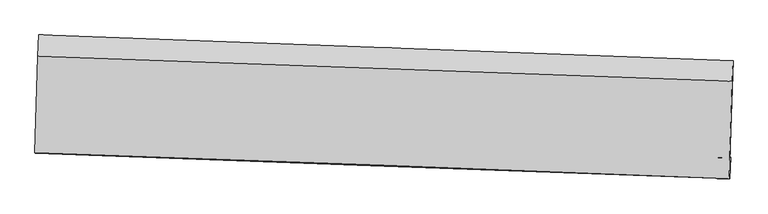
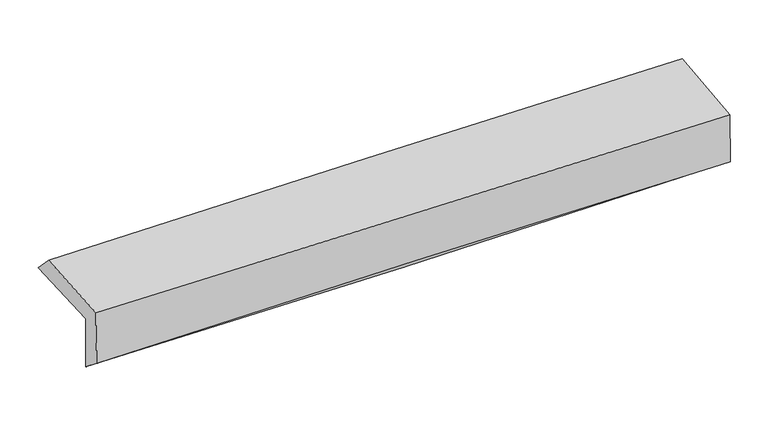
"""IFC4 building model written with IfcOpenShell, lengths in millimetres: proxy geometry."""

from ifc_helpers import new_model, si_unit, frame, origin, place, context, project, spatial, source, transform, mapped, element, save
from ifc_brep_helpers import plane_surface, spline_curve, spline_surface, advanced_brep


def generic_models_f19c91c7(model_context):
    return source(origin(), model_context, "Body", "AdvancedBrep", [
        advanced_brep(
        [(-2394.5979162, -1713.3347652, 1989.2655225), (-2373.2706413, -1049.1503568, 1991.8929543), (2383.3913384, -1227.3954647, 2079.4897294), (2362.1650616, -1890.8655607, 2077.8659823), (-2390.3267735, -1705.4792854, 1592.6145317), (2366.3955547, -1886.0130458, 1675.6531683), (-2396.5925852, -1860.7836105, 1718.2345387), (2360.5112506, -2033.1956572, 1791.3159314), (-2400.6183276, -1856.7959123, 2128.2465432), (2356.5852988, -2034.5850837, 2174.4144726), (-2379.4726616, -1194.8855611, 2141.5830523), (2377.5644199, -1366.8430313, 2213.932242)],
        [
            (0, 1),
            (1, 2, spline_curve(3, [(-2373.2706413, -1049.1503568, 1991.8929543), (-1577.212858178, -1077.467058341, 2016.282240157), (-781.130310597, -1106.54474543, 2035.786844734), (804.424095513, -1165.9724608, 2064.904381265), (1593.895540917, -1196.309809624, 2074.598701894), (2383.3913384, -1227.3954647, 2079.4897294)], [4, 2, 4], [0.0, 7.842618841619596, 15.619626482688027])),
            (2, 3),
            (3, 0, spline_curve(3, [(2362.1650616, -1890.8655607, 2077.8659823), (1572.78291964, -1860.295409241, 2058.668276399), (783.360194597, -1830.275921983, 2041.707629402), (-802.226776873, -1771.089659485, 2012.13623755), (-1598.391711255, -1741.93221498, 1999.563397868), (-2394.5979162, -1713.3347652, 1989.2655225)], [4, 2, 4], [0.0, 7.777007641068431, 15.619626482688027])),
            (4, 0),
            (3, 5),
            (5, 4, spline_curve(3, [(2366.3955547, -1886.0130458, 1675.6531683), (1577.13458412, -1853.757437113, 1649.837257303), (787.776058361, -1822.643532005, 1630.013207283), (-797.796398066, -1762.446266684, 1602.232133811), (-1594.011981797, -1733.382251608, 1594.376638368), (-2390.3267735, -1705.4792854, 1592.6145317)], [4, 2, 4], [0.0, 7.777174407450397, 15.619961422386739])),
            (6, 4),
            (5, 7),
            (7, 6, spline_curve(3, [(2360.5112506, -2033.1956572, 1791.3159314), (1570.907969874, -2004.732861999, 1786.962179824), (781.346044245, -1976.194464907, 1778.737100331), (-804.355935219, -1918.725063743, 1754.442232786), (-1600.495288254, -1889.792778543, 1738.306848411), (-2396.5925852, -1860.7836105, 1718.2345387)], [4, 2, 4], [0.0, 7.776957983764512, 15.619526749143308])),
            (8, 6),
            (7, 9),
            (9, 8, spline_curve(3, [(2356.5852988, -2034.5850837, 2174.4144726), (1567.135723078, -2003.639311151, 2162.74683275), (777.642726483, -1973.409873506, 2153.073433986), (-808.091079747, -1914.134678395, 2137.650333131), (-1604.33262543, -1885.101059078, 2131.934421942), (-2400.6183276, -1856.7959123, 2128.2465432)], [4, 2, 4], [0.0, 7.776829378705272, 15.61926845404038])),
            (10, 8),
            (9, 11),
            (11, 10, spline_curve(3, [(2377.5644199, -1366.8430313, 2213.932242), (1587.970419026, -1338.872829121, 2208.569764822), (798.418669167, -1310.61932703, 2199.898709253), (-787.261073936, -1253.304970696, 2175.838374432), (-1583.388351159, -1224.239315846, 2160.393033411), (-2379.4726616, -1194.8855611, 2141.5830523)], [4, 2, 4], [0.0, 7.776750048330085, 15.619109124014445])),
            (1, 10),
            (11, 2),
        ],
        [
            spline_surface(3, 3, [[(-2394.5979162, -1713.3347652, 1989.2655225), (-1598.391711175, -1741.93221507, 1999.563397776), (-802.226776955, -1771.089659504, 2012.136237471), (783.360194678, -1830.275921965, 2041.707629481), (1572.782919688, -1860.295409337, 2058.668276357), (2362.1650616, -1890.8655607, 2077.8659823)], [(-2387.488824564, -1491.939962392, 1990.141333106), (-1591.332093493, -1520.443829475, 2005.136345238), (-795.194621465, -1549.574688123, 2020.019773205), (790.381494908, -1608.841434934, 2049.439880078), (1579.820460088, -1638.966876141, 2063.97841815), (2369.240487174, -1669.708862037, 2078.407231312)], [(-2380.379732936, -1270.545159608, 1991.017143694), (-1584.272475818, -1298.955443903, 2010.709292682), (-788.162465957, -1328.059716741, 2027.903308966), (797.402795155, -1387.406947902, 2057.172130701), (1586.858000566, -1417.638342934, 2069.288560005), (2376.315912826, -1448.552163363, 2078.948480388)], [(-2373.2706413, -1049.1503568, 1991.8929543), (-1577.212858136, -1077.467058308, 2016.282240144), (-781.130310466, -1106.544745359, 2035.786844701), (804.424095384, -1165.972460871, 2064.904381298), (1593.895540967, -1196.309809738, 2074.598701798), (2383.3913384, -1227.3954647, 2079.4897294)]], [4, 4], [4, 2, 4], [0.0, 2.182323243487646], [0.0, 7.842618841619596, 15.619626482688027]),
            spline_surface(3, 3, [[(-2390.3267735, -1705.4792854, 1592.6145317), (-1594.011981718, -1733.382251564, 1594.376638254), (-797.796398041, -1762.446266593, 1602.232133838), (787.776058337, -1822.643532095, 1630.013207257), (1577.134584097, -1853.75743719, 1649.837257198), (2366.3955547, -1886.0130458, 1675.6531683)], [(-2391.750487752, -1708.097778663, 1724.831528642), (-1595.471891556, -1736.232239395, 1729.438891437), (-799.273190987, -1765.327397557, 1738.866835052), (786.30410381, -1825.187662046, 1767.244681335), (1575.684029312, -1855.936761244, 1786.114263603), (2364.985390351, -1887.630550772, 1809.724106319)], [(-2393.174201948, -1710.716271937, 1857.048525558), (-1596.931801337, -1739.082227239, 1864.501144594), (-800.74998401, -1768.20852854, 1875.501536256), (784.832149205, -1827.731792015, 1904.476155403), (1574.233474473, -1858.116085283, 1922.391269952), (2363.575225949, -1889.248055728, 1943.795044281)], [(-2394.5979162, -1713.3347652, 1989.2655225), (-1598.391711175, -1741.93221507, 1999.563397776), (-802.226776955, -1771.089659504, 2012.136237471), (783.360194678, -1830.275921965, 2041.707629481), (1572.782919688, -1860.295409337, 2058.668276357), (2362.1650616, -1890.8655607, 2077.8659823)]], [4, 4], [4, 2, 4], [0.0, 1.3480840961184657], [0.0, 7.842787014936342, 15.619961422386739]),
            spline_surface(3, 3, [[(-2396.5925852, -1860.7836105, 1718.2345387), (-1600.495288135, -1889.792778488, 1738.306848282), (-804.355935157, -1918.725063721, 1754.442232897), (781.346044184, -1976.194464929, 1778.737100221), (1570.907969794, -2004.732861942, 1786.962179788), (2360.5112506, -2033.1956572, 1791.3159314)], [(-2394.50398128, -1809.015502136, 1676.361203027), (-1598.334185976, -1837.655936183, 1690.3301116), (-802.169422797, -1866.632131349, 1703.70553322), (783.489382223, -1925.010820656, 1729.162469242), (1572.983507892, -1954.407720372, 1741.253872231), (2362.472685297, -1984.134786747, 1752.761677006)], [(-2392.41537742, -1757.247393764, 1634.487867373), (-1596.173083877, -1785.519093869, 1642.353374937), (-799.982910401, -1814.539198964, 1652.968833515), (785.632720298, -1873.827176369, 1679.587838235), (1575.059045999, -1904.08257876, 1695.545564756), (2364.434120003, -1935.073916253, 1714.207422694)], [(-2390.3267735, -1705.4792854, 1592.6145317), (-1594.011981718, -1733.382251564, 1594.376638254), (-797.796398041, -1762.446266593, 1602.232133838), (787.776058337, -1822.643532095, 1630.013207257), (1577.134584097, -1853.75743719, 1649.837257198), (2366.3955547, -1886.0130458, 1675.6531683)]], [4, 4], [4, 2, 4], [0.0, 0.7089112349682898], [0.0, 7.842568765378796, 15.619526749143308]),
            spline_surface(3, 3, [[(-2400.6183276, -1856.7959123, 2128.2465432), (-1604.332625561, -1885.101059147, 2131.934422067), (-808.091079817, -1914.134678482, 2137.650333152), (777.642726552, -1973.409873421, 2153.073433966), (1567.135723007, -2003.639311188, 2162.746832686), (2356.5852988, -2034.5850837, 2174.4144726)], [(-2399.276413492, -1858.125145043, 1991.575875012), (-1603.053513111, -1886.664965603, 2000.725230784), (-806.846031589, -1915.664806872, 2009.914299731), (778.87716577, -1974.338070568, 2028.294656048), (1568.393138616, -2004.003828094, 2037.485281727), (2357.893949413, -2034.121941521, 2046.714958873)], [(-2397.934499308, -1859.454377757, 1854.905206888), (-1601.774400585, -1888.228872032, 1869.516039565), (-805.600983384, -1917.19493533, 1882.178266318), (780.111604966, -1975.266267783, 1903.515878138), (1569.650554185, -2004.368345037, 1912.223730748), (2359.202599987, -2033.658799379, 1919.015445127)], [(-2396.5925852, -1860.7836105, 1718.2345387), (-1600.495288135, -1889.792778488, 1738.306848282), (-804.355935157, -1918.725063721, 1754.442232897), (781.346044184, -1976.194464929, 1778.737100221), (1570.907969794, -2004.732861942, 1786.962179788), (2360.5112506, -2033.1956572, 1791.3159314)]], [4, 4], [4, 2, 4], [0.0, 1.242933318503655], [0.0, 7.8424390753351085, 15.61926845404038]),
            spline_surface(3, 3, [[(-2379.4726616, -1194.8855611, 2141.5830523), (-1583.388351221, -1224.239315947, 2160.393033329), (-787.261073911, -1253.304970664, 2175.838374329), (798.418669142, -1310.619327061, 2199.898709356), (1587.970419051, -1338.872829116, 2208.569764923), (2377.5644199, -1366.8430313, 2213.932242)], [(-2386.521216928, -1415.522344802, 2137.137549272), (-1590.369775996, -1444.526563649, 2150.90682958), (-794.204409208, -1473.581539963, 2163.109027266), (791.49335495, -1531.549509207, 2184.290284222), (1581.025520368, -1560.461656477, 2193.29545418), (2370.571379532, -1589.423715437, 2200.759652203)], [(-2393.569772272, -1636.159128598, 2132.692046228), (-1597.351200786, -1664.813811445, 2141.420625816), (-801.147744519, -1693.858109183, 2150.379680215), (784.568040744, -1752.479691274, 2168.6818591), (1574.08062169, -1782.050483827, 2178.021143429), (2363.578339168, -1812.004399563, 2187.587062397)], [(-2400.6183276, -1856.7959123, 2128.2465432), (-1604.332625561, -1885.101059147, 2131.934422067), (-808.091079817, -1914.134678482, 2137.650333152), (777.642726552, -1973.409873421, 2153.073433966), (1567.135723007, -2003.639311188, 2162.746832686), (2356.5852988, -2034.5850837, 2174.4144726)]], [4, 4], [4, 2, 4], [0.0, 2.176802768632326], [0.0, 7.84235907568436, 15.619109124014445]),
            spline_surface(3, 3, [[(-2373.2706413, -1049.1503568, 1991.8929543), (-1577.212858136, -1077.467058308, 2016.282240144), (-781.130310466, -1106.544745359, 2035.786844701), (804.424095384, -1165.972460871, 2064.904381298), (1593.895540967, -1196.309809738, 2074.598701798), (2383.3913384, -1227.3954647, 2079.4897294)], [(-2375.337981383, -1097.728758264, 2041.789653641), (-1579.271355814, -1126.391144219, 2064.319171214), (-783.173898301, -1155.464820459, 2082.470687913), (802.422286616, -1214.188082932, 2109.902490653), (1591.920500328, -1243.830816184, 2119.25572286), (2381.449032233, -1273.877986887, 2124.303900286)], [(-2377.405321517, -1146.307159636, 2091.686352959), (-1581.329853543, -1175.315230037, 2112.356102259), (-785.217486076, -1204.384895565, 2129.154531117), (800.42047791, -1262.403705, 2154.9006), (1589.94545969, -1291.35182267, 2163.912743862), (2379.506726067, -1320.360509113, 2169.118071114)], [(-2379.4726616, -1194.8855611, 2141.5830523), (-1583.388351221, -1224.239315947, 2160.393033329), (-787.261073911, -1253.304970664, 2175.838374329), (798.418669142, -1310.619327061, 2199.898709356), (1587.970419051, -1338.872829116, 2208.569764923), (2377.5644199, -1366.8430313, 2213.932242)]], [4, 4], [4, 2, 4], [0.0, 0.6577027941942882], [0.0, 7.842545846197753, 15.619481102522656]),
            plane_surface(frame((2367.7688206, -1739.8163072, 2002.111921), z_axis=(0.9994365864029083, -0.03199957290864528, 0.010126060090988804), x_axis=(0.010247284880878704, 0.0036265981154392918, -0.999940918724041))),
            plane_surface(frame((-2389.1464842, -1563.4049152, 1926.9728571), z_axis=(-0.9994323333136341, 0.03213229941294083, -0.010125535131654977), x_axis=(-0.03209367974906527, -0.9994770448192124, -0.003953808242512724))),
        ],
        [
            (0, [[1, 2, 3, 4]]),
            (1, [[5, -4, 6, 7]]),
            (2, [[8, -7, 9, 10]]),
            (3, [[11, -10, 12, 13]]),
            (4, [[14, -13, 15, 16]]),
            (5, [[17, -16, 18, -2]]),
            (6, [[-12, -9, -6, -3, -18, -15]]),
            (7, [[-1, -5, -8, -11, -14, -17]]),
        ],
    ),
    ])


if __name__ == "__main__":
    model = new_model("IFC4")
    model_context = context("Model", 3, world=origin())
    ifc_project = project(units=[si_unit("LENGTHUNIT", "METRE", prefix="MILLI")], contexts=[model_context])
    site = spatial("IfcSite", under=ifc_project)
    building = spatial("IfcBuilding", under=site)
    placement = place(None, origin())
    generic_models_shape = generic_models_f19c91c7(model_context)
    element("IfcBuildingElementProxy", 1, Name="Generic Models", at=placement, inside=building, context=model_context, shape_type="MappedRepresentation", body=[
        mapped(generic_models_shape, transform((0.0, 0.0, 0.0), x_axis=(1.0, 0.0, 0.0), y_axis=(0.0, 1.0, 0.0), z_axis=(0.0, 0.0, 1.0))),
    ])
    save(model, "model.ifc")
